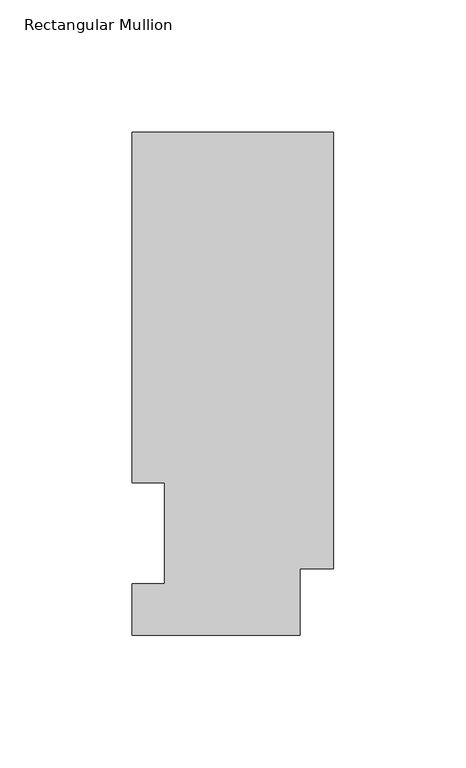
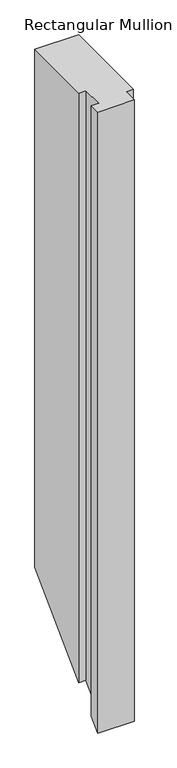
"""IFC4 building model written with IfcOpenShell, lengths in millimetres: member geometry, Rectangular Mullion."""

import ifcopenshell
import ifcopenshell.guid

model = None  # the IFC model being written
_history = None  # IfcOwnerHistory: only IFC2X3 demands one
_inside = {}  # id of a spatial element -> (the spatial element, [elements in it])
_under = {}  # id of a project, library or spatial element -> (it, [spatial elements below it])
_declared = {}  # id of a project -> (the project, [libraries it declares])
_typed = {}  # id of a type object -> (the type object, [elements of that type])
_made_of = {}  # id of a material, layer set ... -> (it, [elements and type objects made of it])


def new_model(schema):
    """Start an empty IFC model of exactly this schema.

    Asked for "IFC4X3", IfcOpenShell would pick the latest addendum, in which some entities
    have other attributes; the version numbers below select the first issue.
    IFC2X3 requires an IfcOwnerHistory on every rooted entity: one is made here for all.
    """
    global model, _history
    if schema == "IFC4X3":
        model = ifcopenshell.file(schema_version=(4, 3, 0, 0))
    else:
        model = ifcopenshell.file(schema=schema)
    _inside.clear()
    _under.clear()
    _declared.clear()
    _typed.clear()
    _made_of.clear()
    _history = None
    if model.schema == "IFC2X3":
        org = make("IfcOrganization", Name="unknown")
        user = make(
            "IfcPersonAndOrganization",
            ThePerson=make("IfcPerson", FamilyName="unknown"),
            TheOrganization=org,
        )
        app = make(
            "IfcApplication",
            ApplicationDeveloper=org,
            Version="unknown",
            ApplicationFullName="unknown",
            ApplicationIdentifier="unknown",
        )
        _history = make(
            "IfcOwnerHistory",
            OwningUser=user,
            OwningApplication=app,
            ChangeAction="ADDED",
            CreationDate=0,
        )
    return model


def make(cls, **values):
    """One entity of the class cls with the attributes given. An attribute that is None is left unset."""
    return model.create_entity(
        cls, **{name: value for name, value in values.items() if value is not None}
    )


def rooted(cls, **values):
    """An entity with a GlobalId (a new one), such as an element, a storey or a relation."""
    return make(cls, GlobalId=ifcopenshell.guid.new(), OwnerHistory=_history, **values)


def si_unit(unit_type, name, prefix=None):
    """IfcSIUnit, for example si_unit("LENGTHUNIT", "METRE", prefix="MILLI")."""
    return make("IfcSIUnit", UnitType=unit_type, Prefix=prefix, Name=name)


def assignment(units):
    """IfcUnitAssignment: the units of a project."""
    return None if units is None else make("IfcUnitAssignment", Units=units)


def point(xyz):
    """IfcCartesianPoint."""
    return None if xyz is None else make("IfcCartesianPoint", Coordinates=xyz)


def direction(xyz):
    """IfcDirection."""
    return None if xyz is None else make("IfcDirection", DirectionRatios=xyz)


def frame(location, z_axis=None, x_axis=None):
    """IfcAxis2Placement3D, a coordinate frame: its origin and axes. An axis left out is left unset."""
    return make(
        "IfcAxis2Placement3D",
        Location=point(location),
        Axis=direction(z_axis),
        RefDirection=direction(x_axis),
    )


def origin():
    """The frame at (0, 0, 0) with its axes left unset."""
    return frame((0.0, 0.0, 0.0))


def place(relative_to, where):
    """IfcLocalPlacement: puts the frame where relative to a parent placement (None: the world)."""
    return make(
        "IfcLocalPlacement", PlacementRelTo=relative_to, RelativePlacement=where
    )


def context(
    kind, dimensions, precision=None, world=None, true_north=None, identifier=None
):
    """IfcGeometricRepresentationContext, for example the 3D "Model" context."""
    return make(
        "IfcGeometricRepresentationContext",
        ContextIdentifier=identifier,
        ContextType=kind,
        CoordinateSpaceDimension=dimensions,
        Precision=precision,
        WorldCoordinateSystem=world,
        TrueNorth=true_north,
    )


def project(units=None, contexts=None):
    """IfcProject with its units and contexts."""
    return rooted(
        "IfcProject",
        Name="project",
        RepresentationContexts=contexts,
        UnitsInContext=assignment(units),
    )


def spatial(cls, under=None, at=None, **own):
    """A site, building, storey or space (cls), placed at a placement, below another one or the project."""
    s = rooted(cls, ObjectPlacement=at, **own)
    if under is not None:
        _under.setdefault(under.id(), (under, []))[1].append(s)
    return s


def faces_of(points, faces, orient=None, outer=None):
    """IfcFace entities. A face is a list of loops; a loop is a list of indices into points, from 0.

    orient and outer hold one flag for each loop. By default every Orientation is true, the
    first loop of a face is its IfcFaceOuterBound and the others are IfcFaceBound.
    """
    made = []
    for i, loops in enumerate(faces):
        bounds = []
        for j, loop in enumerate(loops):
            is_outer = j == 0 if outer is None else outer[i][j]
            bounds.append(
                make(
                    "IfcFaceOuterBound" if is_outer else "IfcFaceBound",
                    Bound=make("IfcPolyLoop", Polygon=[points[k] for k in loop]),
                    Orientation=True if orient is None else orient[i][j],
                )
            )
        made.append(make("IfcFace", Bounds=bounds))
    return made


def faceted_brep(points, faces, orient=None, outer=None, voids=None):
    """IfcFacetedBrep: a solid bounded by flat faces; with voids (closed shells), ...WithVoids."""
    shared = [point(p) for p in points]
    hull = make("IfcClosedShell", CfsFaces=faces_of(shared, faces, orient, outer))
    if voids is None:
        return make("IfcFacetedBrep", Outer=hull)
    return make(
        "IfcFacetedBrepWithVoids",
        Outer=hull,
        Voids=[
            make(cls, CfsFaces=faces_of(shared, fs, o, b)) for cls, fs, o, b in voids
        ],
    )


def shape(context_of_items, identifier, shape_type, items):
    """IfcShapeRepresentation: the items that make up one representation, for example the "Body"."""
    return make(
        "IfcShapeRepresentation",
        ContextOfItems=context_of_items,
        RepresentationIdentifier=identifier,
        RepresentationType=shape_type,
        Items=items,
    )


def source(mapping_origin, context_of_items, identifier, shape_type, items):
    """IfcRepresentationMap: a shape defined once, which mapped items show again and again."""
    return make(
        "IfcRepresentationMap",
        MappingOrigin=mapping_origin,
        MappedRepresentation=shape(context_of_items, identifier, shape_type, items),
    )


def transform(
    local_origin,
    x_axis=None,
    y_axis=None,
    z_axis=None,
    scale=None,
    scale2=None,
    scale3=None,
    uniform=True,
):
    """IfcCartesianTransformationOperator3D, or its non-uniform kind. x_axis, y_axis, z_axis: its Axis1, 2, 3."""
    if uniform:
        return make(
            "IfcCartesianTransformationOperator3D",
            Axis1=direction(x_axis),
            Axis2=direction(y_axis),
            LocalOrigin=point(local_origin),
            Scale=scale,
            Axis3=direction(z_axis),
        )
    return make(
        "IfcCartesianTransformationOperator3DnonUniform",
        Axis1=direction(x_axis),
        Axis2=direction(y_axis),
        LocalOrigin=point(local_origin),
        Scale=scale,
        Axis3=direction(z_axis),
        Scale2=scale2,
        Scale3=scale3,
    )


def mapped(mapping_source, mapping_target):
    """IfcMappedItem: shows the shape of a source again, moved by a transform."""
    return make(
        "IfcMappedItem", MappingSource=mapping_source, MappingTarget=mapping_target
    )


def made_of(thing, what):
    """Note that an element or type object is made of a material, layer set ...; save() writes the relation."""
    if what is not None:
        _made_of.setdefault(what.id(), (what, []))[1].append(thing)
    return thing


def element(
    cls,
    number,
    at=None,
    inside=None,
    cuts=None,
    type_object=None,
    material=None,
    context=None,
    identifier="Body",
    shape_type=None,
    held_by="IfcProductDefinitionShape",
    body=None,
    shapes=None,
    **own,
):
    """One element of the class cls, such as IfcWall. Its Tag is "e" and its number.

    at: its placement. inside: the storey or other place that contains it. cuts: it is an
    opening in that element (IfcRelVoidsElement). A single representation is given by context,
    identifier, shape_type and body (its items); several are given by shapes. held_by: the class
    of the entity that holds the representations. save() writes the other relations.
    """
    e = rooted(cls, Tag="e%d" % number, ObjectPlacement=at, **own)
    if body is not None:
        shapes = [shape(context, identifier, shape_type, body)]
    if shapes is not None:
        e.Representation = make(held_by, Representations=shapes)
    if inside is not None:
        _inside.setdefault(inside.id(), (inside, []))[1].append(e)
    if cuts is not None:
        rooted(
            "IfcRelVoidsElement", RelatingBuildingElement=cuts, RelatedOpeningElement=e
        )
    if type_object is not None:
        _typed.setdefault(type_object.id(), (type_object, []))[1].append(e)
    return made_of(e, material)


def aggregate(whole, parts):
    """IfcRelAggregates: a whole, such as a stair, and the parts it consists of."""
    return rooted("IfcRelAggregates", RelatingObject=whole, RelatedObjects=parts)


def save(model, path):
    """Write the relations noted so far, then the file.

    IfcRelAggregates (storeys below a building ...), IfcRelContainedInSpatialStructure (elements
    in a storey), IfcRelDefinesByType, IfcRelAssociatesMaterial and IfcRelDeclares: one each for
    every whole, place, type object, material and project.
    """
    for whole, parts in _under.values():
        aggregate(whole, parts)
    for where, things in _inside.values():
        rooted(
            "IfcRelContainedInSpatialStructure",
            RelatedElements=things,
            RelatingStructure=where,
        )
    for kind, things in _typed.values():
        rooted("IfcRelDefinesByType", RelatedObjects=things, RelatingType=kind)
    for what, things in _made_of.values():
        rooted("IfcRelAssociatesMaterial", RelatedObjects=things, RelatingMaterial=what)
    for by, libraries in _declared.values():
        rooted("IfcRelDeclares", RelatingContext=by, RelatedDefinitions=libraries)
    model.write(path)


def rectangular_mullion_b2b214cd(model_context):
    return source(origin(), model_context, "Body", "Brep", [
        faceted_brep([(-76.2, 190.0816937, 0.0), (-76.2, 57.6460938, 0.0), (-63.8581605, 57.6460937, 0.0), (-63.8581605, 19.5460937, 0.0), (-76.2, 19.5460937, 0.0), (-76.2, 0.0134937, 0.0), (-12.7, 0.0134937, 0.0), (-12.7, 25.0832937, 0.0), (0.0, 25.0832937, 0.0), (0.0, 190.0816937, 0.0), (-76.2, 190.0816937, -952.4357063), (-76.2, 57.6460937, -1084.8713062), (-63.8581605, 57.6460937, -1084.8713062), (-63.8581605, 19.5460937, -1122.9713063), (-76.2, 19.5460937, -1122.9713063), (-76.2, 0.0134937, -1142.5039063), (-12.7, 0.0134937, -1142.5039063), (-12.7, 25.0832937, -1117.4341063), (0.0, 25.0832937, -1117.4341063), (0.0, 190.0816937, -952.4357063)], [[[0, 1, 2, 3, 4, 5, 6, 7, 8, 9]], [[1, 0, 10, 11]], [[2, 1, 11, 12]], [[3, 2, 12, 13]], [[4, 3, 13, 14]], [[5, 4, 14, 15]], [[6, 5, 15, 16]], [[7, 6, 16, 17]], [[8, 7, 17, 18]], [[9, 8, 18, 19]], [[0, 9, 19, 10]], [[10, 19, 18, 17, 16, 15, 14, 13, 12, 11]]]),
    ])


if __name__ == "__main__":
    model = new_model("IFC4")
    model_context = context("Model", 3, world=origin())
    ifc_project = project(units=[si_unit("LENGTHUNIT", "METRE", prefix="MILLI")], contexts=[model_context])
    site = spatial("IfcSite", under=ifc_project)
    building = spatial("IfcBuilding", under=site)
    placement = place(None, origin())
    rectangular_mullion_shape = rectangular_mullion_b2b214cd(model_context)
    element("IfcMember", 1, ObjectType="Rectangular Mullion", at=placement, inside=building, context=model_context, shape_type="MappedRepresentation", body=[
        mapped(rectangular_mullion_shape, transform((0.0, 0.0, 0.0), x_axis=(1.0, 0.0, 0.0), y_axis=(0.0, 1.0, 0.0), z_axis=(0.0, 0.0, 1.0))),
    ])
    save(model, "model.ifc")
